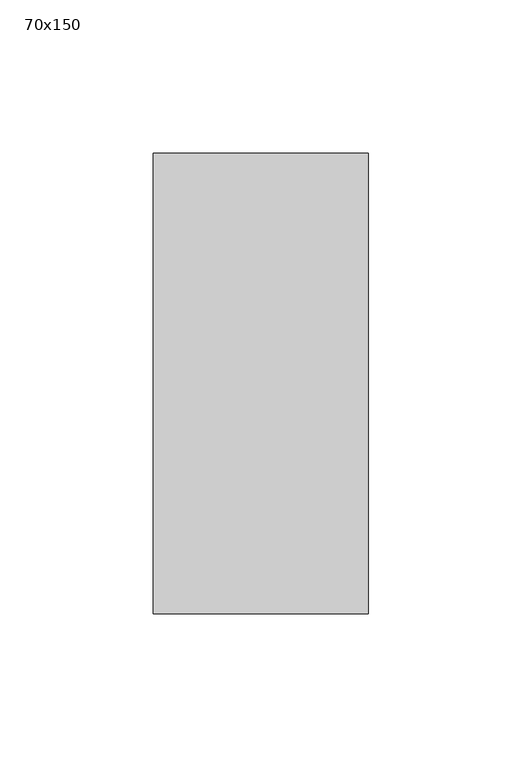
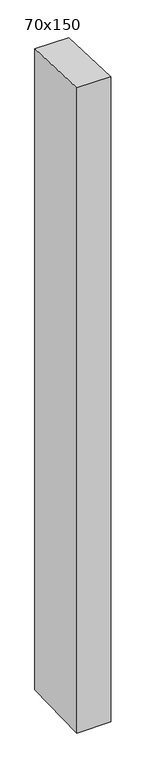
"""IFC4 building model written with IfcOpenShell, lengths in millimetres: member geometry, 70x150."""

from ifc_helpers import new_model, si_unit, frame, origin, place, context, project, spatial, polyline, outline, extrude, source, transform, mapped, element, save


def member_70x150_f1cf39bc(model_context):
    return source(origin(), model_context, "Body", "SweptSolid", [
        extrude(outline(polyline([(-75.0, 2.9010001), (75.0, -2.9010001), (75.0, -1397.8576567), (-75.0, -1401.5006652), (-75.0, 2.9010001)])), frame((-35.0, 0.0, 0.0), z_axis=(1.0, 0.0, 0.0), x_axis=(0.0, 1.0, 0.0)), (0.0, 0.0, 1.0), 70.0),
    ])


if __name__ == "__main__":
    model = new_model("IFC4")
    model_context = context("Model", 3, world=origin())
    ifc_project = project(units=[si_unit("LENGTHUNIT", "METRE", prefix="MILLI")], contexts=[model_context])
    site = spatial("IfcSite", under=ifc_project)
    building = spatial("IfcBuilding", under=site)
    placement = place(None, origin())
    member_70x150_shape = member_70x150_f1cf39bc(model_context)
    element("IfcMember", 1, ObjectType="70x150", at=placement, inside=building, context=model_context, shape_type="MappedRepresentation", body=[
        mapped(member_70x150_shape, transform((0.0, 0.0, 0.0), x_axis=(1.0, 0.0, 0.0), y_axis=(0.0, 1.0, 0.0), z_axis=(0.0, 0.0, 1.0))),
    ])
    save(model, "model.ifc")
